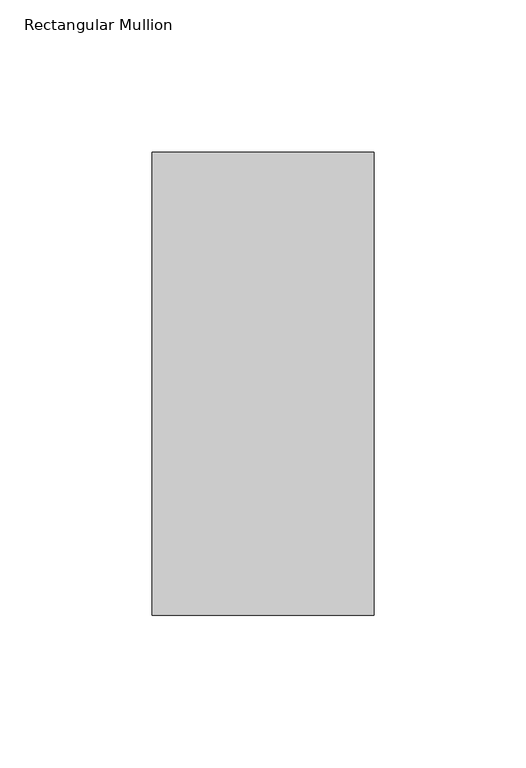
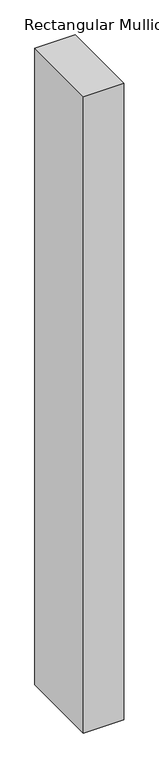
"""IFC4 building model written with IfcOpenShell, lengths in millimetres: member geometry, Rectangular Mullion."""

from ifc_helpers import new_model, si_unit, frame, origin, place, context, project, spatial, polyline, outline, extrude, source, transform, mapped, element, save


def rectangular_mullion_76ab9cbe(model_context):
    return source(origin(), model_context, "Body", "SweptSolid", [
        extrude(outline(polyline([(0.0, 26.19375), (0.0, -126.20625), (-73.0248478, -126.20625), (-73.0248478, 26.19375), (0.0, 26.19375)])), frame((0.0, 0.0, -1219.2), z_axis=(0.0, 0.0, 1.0), x_axis=(1.0, 0.0, 0.0)), (0.0, 0.0, 1.0), 1219.2),
    ])


if __name__ == "__main__":
    model = new_model("IFC4")
    model_context = context("Model", 3, world=origin())
    ifc_project = project(units=[si_unit("LENGTHUNIT", "METRE", prefix="MILLI")], contexts=[model_context])
    site = spatial("IfcSite", under=ifc_project)
    building = spatial("IfcBuilding", under=site)
    placement = place(None, origin())
    rectangular_mullion_shape = rectangular_mullion_76ab9cbe(model_context)
    element("IfcMember", 1, ObjectType="Rectangular Mullion", at=placement, inside=building, context=model_context, shape_type="MappedRepresentation", body=[
        mapped(rectangular_mullion_shape, transform((0.0, 0.0, 0.0), x_axis=(1.0, 0.0, 0.0), y_axis=(0.0, 1.0, 0.0), z_axis=(0.0, 0.0, 1.0))),
    ])
    save(model, "model.ifc")
